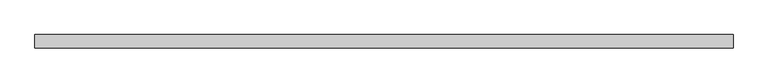
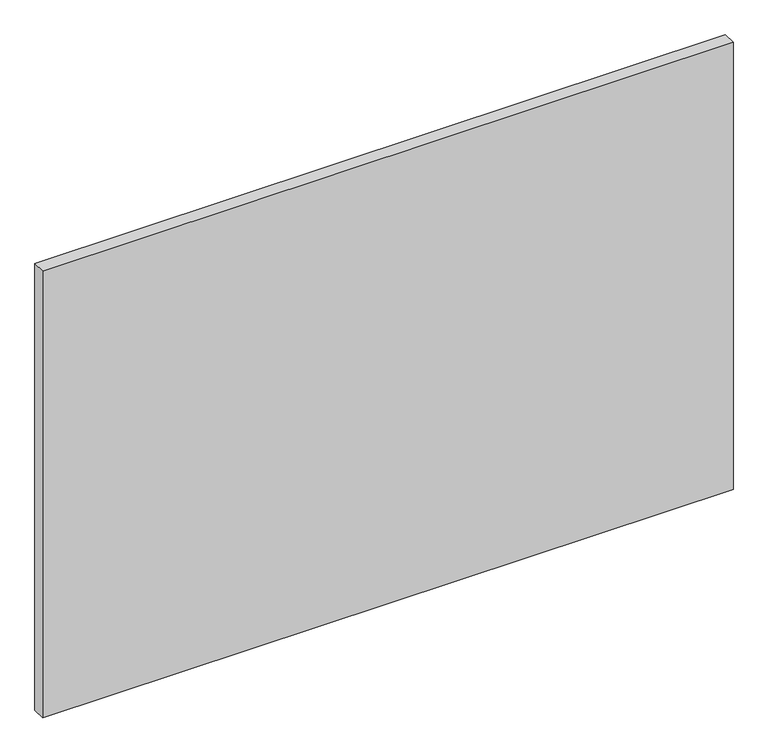
"""IFC4 building model written with IfcOpenShell, lengths in millimetres: proxy geometry."""

from ifc_helpers import new_model, si_unit, origin, origin_with_axes, place, context, project, spatial, polyline, outline, extrude, source, transform, mapped, element, save


def generic_models_eec19ea3(model_context):
    return source(origin(), model_context, "Body", "SweptSolid", [
        extrude(outline(polyline([(1785.5, 0.0), (-1785.5, 0.0), (-1785.5, 68.0), (1785.5, 68.0), (1785.5, 0.0)])), origin_with_axes(), (0.0, 0.0, 1.0), 2445.0),
    ])


if __name__ == "__main__":
    model = new_model("IFC4")
    model_context = context("Model", 3, world=origin())
    ifc_project = project(units=[si_unit("LENGTHUNIT", "METRE", prefix="MILLI")], contexts=[model_context])
    site = spatial("IfcSite", under=ifc_project)
    building = spatial("IfcBuilding", under=site)
    placement = place(None, origin())
    generic_models_shape = generic_models_eec19ea3(model_context)
    element("IfcBuildingElementProxy", 1, Name="Generic Models", at=placement, inside=building, context=model_context, shape_type="MappedRepresentation", body=[
        mapped(generic_models_shape, transform((0.0, 0.0, 0.0), x_axis=(1.0, 0.0, 0.0), y_axis=(0.0, 1.0, 0.0), z_axis=(0.0, 0.0, 1.0))),
    ])
    save(model, "model.ifc")
